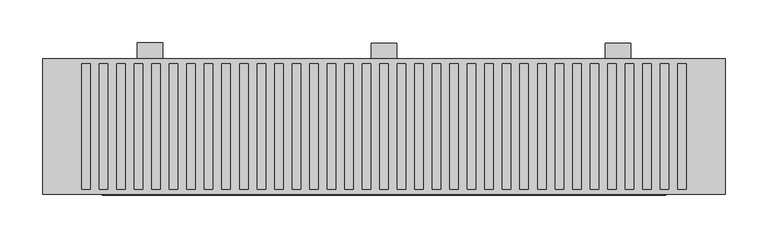
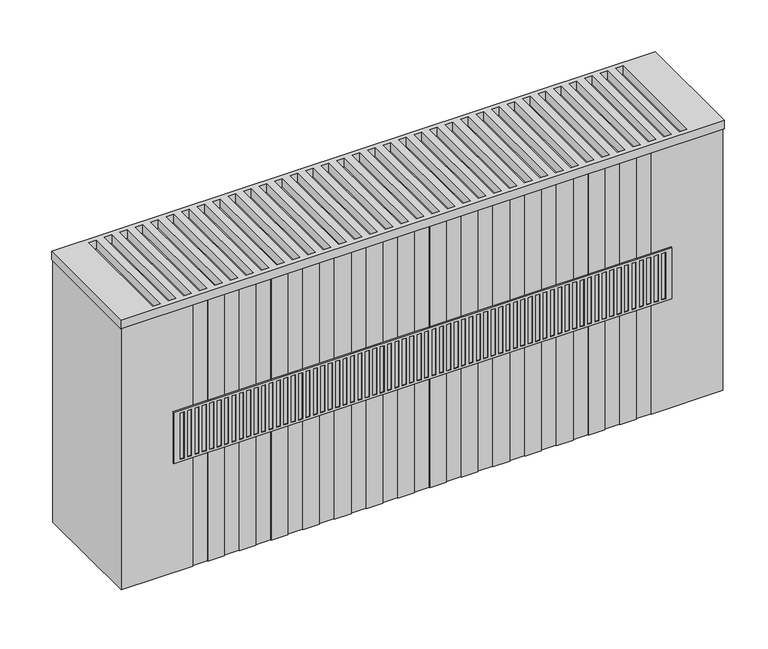
"""IFC4 building model written with IfcOpenShell, lengths in millimetres: proxy geometry."""

from ifc_helpers import new_model, si_unit, point, frame, frame_2d, origin, place, context, project, spatial, polyline, circle_curve, trimmed, segment, composite_curve, outline, extrude, faceted_brep, source, transform, mapped, element, save


def mechanical_equipment_2432de1e(model_context):
    return source(origin(), model_context, "Body", "SolidModel", [
        extrude(outline(polyline([(0.5, 380.0), (0.5, 100.0), (0.5, 80.0), (-50.5, 80.0), (-65.5, 100.0), (-19.5, 100.0), (-19.5, 380.0), (0.5, 380.0)])), frame((-15.0, 0.0, 0.0), z_axis=(1.0, 0.0, 0.0), x_axis=(0.0, 1.0, 0.0)), (0.0, 0.0, 1.0), 30.0),
        extrude(outline(polyline([(0.0, 380.0), (0.0, 100.0), (0.0, 80.0), (-51.0, 80.0), (-66.0, 100.0), (-20.0, 100.0), (-20.0, 380.0), (0.0, 380.0)])), frame((260.0, 0.0, 0.0), z_axis=(1.0, 0.0, 0.0), x_axis=(0.0, 1.0, 0.0)), (0.0, 0.0, 1.0), 30.0),
        extrude(outline(polyline([(1.0, 380.0), (1.0, 100.0), (1.0, 80.0), (-50.0, 80.0), (-65.0, 100.0), (-19.0, 100.0), (-19.0, 380.0), (1.0, 380.0)])), frame((-290.0, 0.0, 0.0), z_axis=(1.0, 0.0, 0.0), x_axis=(0.0, 1.0, 0.0)), (0.0, 0.0, 1.0), 30.0),
        faceted_brep([(331.0, -178.0, 326.0), (331.0, -178.0, 254.0), (331.0, -176.0, 254.0), (331.0, -176.0, 326.0), (-331.0, -178.0, 254.0), (-331.0, -178.0, 326.0), (-331.0, -176.0, 326.0), (-331.0, -176.0, 254.0), (322.5, -178.0, 257.5), (317.5, -178.0, 257.5), (317.5, -178.0, 322.5), (322.5, -178.0, 322.5), (-307.6538462, -178.0, 257.5), (-312.6538462, -178.0, 257.5), (-312.6538462, -178.0, 322.5), (-307.6538462, -178.0, 322.5), (-297.8076923, -178.0, 257.5), (-302.8076923, -178.0, 257.5), (-302.8076923, -178.0, 322.5), (-297.8076923, -178.0, 322.5), (-287.9615385, -178.0, 257.5), (-292.9615385, -178.0, 257.5), (-292.9615385, -178.0, 322.5), (-287.9615385, -178.0, 322.5), (-278.1153846, -178.0, 257.5), (-283.1153846, -178.0, 257.5), (-283.1153846, -178.0, 322.5), (-278.1153846, -178.0, 322.5), (-268.2692308, -178.0, 257.5), (-273.2692308, -178.0, 257.5), (-273.2692308, -178.0, 322.5), (-268.2692308, -178.0, 322.5), (-258.4230769, -178.0, 257.5), (-263.4230769, -178.0, 257.5), (-263.4230769, -178.0, 322.5), (-258.4230769, -178.0, 322.5), (-248.5769231, -178.0, 257.5), (-253.5769231, -178.0, 257.5), (-253.5769231, -178.0, 322.5), (-248.5769231, -178.0, 322.5), (-238.7307692, -178.0, 257.5), (-243.7307692, -178.0, 257.5), (-243.7307692, -178.0, 322.5), (-238.7307692, -178.0, 322.5), (-228.8846154, -178.0, 257.5), (-233.8846154, -178.0, 257.5), (-233.8846154, -178.0, 322.5), (-228.8846154, -178.0, 322.5), (-219.0384615, -178.0, 257.5), (-224.0384615, -178.0, 257.5), (-224.0384615, -178.0, 322.5), (-219.0384615, -178.0, 322.5), (-209.1923077, -178.0, 257.5), (-214.1923077, -178.0, 257.5), (-214.1923077, -178.0, 322.5), (-209.1923077, -178.0, 322.5), (-199.3461538, -178.0, 257.5), (-204.3461538, -178.0, 257.5), (-204.3461538, -178.0, 322.5), (-199.3461538, -178.0, 322.5), (-189.5, -178.0, 257.5), (-194.5, -178.0, 257.5), (-194.5, -178.0, 322.5), (-189.5, -178.0, 322.5), (-179.6538462, -178.0, 257.5), (-184.6538462, -178.0, 257.5), (-184.6538462, -178.0, 322.5), (-179.6538462, -178.0, 322.5), (-169.8076923, -178.0, 257.5), (-174.8076923, -178.0, 257.5), (-174.8076923, -178.0, 322.5), (-169.8076923, -178.0, 322.5), (-159.9615385, -178.0, 257.5), (-164.9615385, -178.0, 257.5), (-164.9615385, -178.0, 322.5), (-159.9615385, -178.0, 322.5), (-150.1153846, -178.0, 257.5), (-155.1153846, -178.0, 257.5), (-155.1153846, -178.0, 322.5), (-150.1153846, -178.0, 322.5), (-140.2692308, -178.0, 257.5), (-145.2692308, -178.0, 257.5), (-145.2692308, -178.0, 322.5), (-140.2692308, -178.0, 322.5), (-130.4230769, -178.0, 257.5), (-135.4230769, -178.0, 257.5), (-135.4230769, -178.0, 322.5), (-130.4230769, -178.0, 322.5), (-120.5769231, -178.0, 257.5), (-125.5769231, -178.0, 257.5), (-125.5769231, -178.0, 322.5), (-120.5769231, -178.0, 322.5), (-110.7307692, -178.0, 257.5), (-115.7307692, -178.0, 257.5), (-115.7307692, -178.0, 322.5), (-110.7307692, -178.0, 322.5), (-100.8846154, -178.0, 257.5), (-105.8846154, -178.0, 257.5), (-105.8846154, -178.0, 322.5), (-100.8846154, -178.0, 322.5), (-91.0384615, -178.0, 257.5), (-96.0384615, -178.0, 257.5), (-96.0384615, -178.0, 322.5), (-91.0384615, -178.0, 322.5), (-81.1923077, -178.0, 257.5), (-86.1923077, -178.0, 257.5), (-86.1923077, -178.0, 322.5), (-81.1923077, -178.0, 322.5), (-71.3461538, -178.0, 257.5), (-76.3461538, -178.0, 257.5), (-76.3461538, -178.0, 322.5), (-71.3461538, -178.0, 322.5), (-61.5, -178.0, 257.5), (-66.5, -178.0, 257.5), (-66.5, -178.0, 322.5), (-61.5, -178.0, 322.5), (-51.6538462, -178.0, 257.5), (-56.6538462, -178.0, 257.5), (-56.6538462, -178.0, 322.5), (-51.6538462, -178.0, 322.5), (-41.8076923, -178.0, 257.5), (-46.8076923, -178.0, 257.5), (-46.8076923, -178.0, 322.5), (-41.8076923, -178.0, 322.5), (-31.9615385, -178.0, 257.5), (-36.9615385, -178.0, 257.5), (-36.9615385, -178.0, 322.5), (-31.9615385, -178.0, 322.5), (-22.1153846, -178.0, 257.5), (-27.1153846, -178.0, 257.5), (-27.1153846, -178.0, 322.5), (-22.1153846, -178.0, 322.5), (-12.2692308, -178.0, 257.5), (-17.2692308, -178.0, 257.5), (-17.2692308, -178.0, 322.5), (-12.2692308, -178.0, 322.5), (-2.4230769, -178.0, 257.5), (-7.4230769, -178.0, 257.5), (-7.4230769, -178.0, 322.5), (-2.4230769, -178.0, 322.5), (7.4230769, -178.0, 257.5), (2.4230769, -178.0, 257.5), (2.4230769, -178.0, 322.5), (7.4230769, -178.0, 322.5), (17.2692308, -178.0, 257.5), (12.2692308, -178.0, 257.5), (12.2692308, -178.0, 322.5), (17.2692308, -178.0, 322.5), (27.1153846, -178.0, 257.5), (22.1153846, -178.0, 257.5), (22.1153846, -178.0, 322.5), (27.1153846, -178.0, 322.5), (36.9615385, -178.0, 257.5), (31.9615385, -178.0, 257.5), (31.9615385, -178.0, 322.5), (36.9615385, -178.0, 322.5), (46.8076923, -178.0, 257.5), (41.8076923, -178.0, 257.5), (41.8076923, -178.0, 322.5), (46.8076923, -178.0, 322.5), (56.6538462, -178.0, 257.5), (51.6538462, -178.0, 257.5), (51.6538462, -178.0, 322.5), (56.6538462, -178.0, 322.5), (66.5, -178.0, 257.5), (61.5, -178.0, 257.5), (61.5, -178.0, 322.5), (66.5, -178.0, 322.5), (76.3461538, -178.0, 257.5), (71.3461538, -178.0, 257.5), (71.3461538, -178.0, 322.5), (76.3461538, -178.0, 322.5), (86.1923077, -178.0, 257.5), (81.1923077, -178.0, 257.5), (81.1923077, -178.0, 322.5), (86.1923077, -178.0, 322.5), (96.0384615, -178.0, 257.5), (91.0384615, -178.0, 257.5), (91.0384615, -178.0, 322.5), (96.0384615, -178.0, 322.5), (105.8846154, -178.0, 257.5), (100.8846154, -178.0, 257.5), (100.8846154, -178.0, 322.5), (105.8846154, -178.0, 322.5), (115.7307692, -178.0, 257.5), (110.7307692, -178.0, 257.5), (110.7307692, -178.0, 322.5), (115.7307692, -178.0, 322.5), (125.5769231, -178.0, 257.5), (120.5769231, -178.0, 257.5), (120.5769231, -178.0, 322.5), (125.5769231, -178.0, 322.5), (135.4230769, -178.0, 257.5), (130.4230769, -178.0, 257.5), (130.4230769, -178.0, 322.5), (135.4230769, -178.0, 322.5), (145.2692308, -178.0, 257.5), (140.2692308, -178.0, 257.5), (140.2692308, -178.0, 322.5), (145.2692308, -178.0, 322.5), (155.1153846, -178.0, 257.5), (150.1153846, -178.0, 257.5), (150.1153846, -178.0, 322.5), (155.1153846, -178.0, 322.5), (164.9615385, -178.0, 257.5), (159.9615385, -178.0, 257.5), (159.9615385, -178.0, 322.5), (164.9615385, -178.0, 322.5), (174.8076923, -178.0, 257.5), (169.8076923, -178.0, 257.5), (169.8076923, -178.0, 322.5), (174.8076923, -178.0, 322.5), (184.6538462, -178.0, 257.5), (179.6538462, -178.0, 257.5), (179.6538462, -178.0, 322.5), (184.6538462, -178.0, 322.5), (194.5, -178.0, 257.5), (189.5, -178.0, 257.5), (189.5, -178.0, 322.5), (194.5, -178.0, 322.5), (204.3461538, -178.0, 257.5), (199.3461538, -178.0, 257.5), (199.3461538, -178.0, 322.5), (204.3461538, -178.0, 322.5), (214.1923077, -178.0, 257.5), (209.1923077, -178.0, 257.5), (209.1923077, -178.0, 322.5), (214.1923077, -178.0, 322.5), (224.0384615, -178.0, 257.5), (219.0384615, -178.0, 257.5), (219.0384615, -178.0, 322.5), (224.0384615, -178.0, 322.5), (233.8846154, -178.0, 257.5), (228.8846154, -178.0, 257.5), (228.8846154, -178.0, 322.5), (233.8846154, -178.0, 322.5), (243.7307692, -178.0, 257.5), (238.7307692, -178.0, 257.5), (238.7307692, -178.0, 322.5), (243.7307692, -178.0, 322.5), (253.5769231, -178.0, 257.5), (248.5769231, -178.0, 257.5), (248.5769231, -178.0, 322.5), (253.5769231, -178.0, 322.5), (263.4230769, -178.0, 257.5), (258.4230769, -178.0, 257.5), (258.4230769, -178.0, 322.5), (263.4230769, -178.0, 322.5), (273.2692308, -178.0, 257.5), (268.2692308, -178.0, 257.5), (268.2692308, -178.0, 322.5), (273.2692308, -178.0, 322.5), (283.1153846, -178.0, 257.5), (278.1153846, -178.0, 257.5), (278.1153846, -178.0, 322.5), (283.1153846, -178.0, 322.5), (292.9615385, -178.0, 257.5), (287.9615385, -178.0, 257.5), (287.9615385, -178.0, 322.5), (292.9615385, -178.0, 322.5), (302.8076923, -178.0, 257.5), (297.8076923, -178.0, 257.5), (297.8076923, -178.0, 322.5), (302.8076923, -178.0, 322.5), (312.6538462, -178.0, 257.5), (307.6538462, -178.0, 257.5), (307.6538462, -178.0, 322.5), (312.6538462, -178.0, 322.5), (-317.5, -178.0, 257.5), (-322.5, -178.0, 257.5), (-322.5, -178.0, 322.5), (-317.5, -178.0, 322.5), (317.5, -177.0, 257.5), (322.5, -177.0, 257.5), (322.5, -177.0, 322.5), (317.5, -177.0, 322.5), (-312.6538462, -177.0, 257.5), (-307.6538462, -177.0, 257.5), (-307.6538462, -177.0, 322.5), (-312.6538462, -177.0, 322.5), (-302.8076923, -177.0, 257.5), (-297.8076923, -177.0, 257.5), (-297.8076923, -177.0, 322.5), (-302.8076923, -177.0, 322.5), (-292.9615385, -177.0, 257.5), (-287.9615385, -177.0, 257.5), (-287.9615385, -177.0, 322.5), (-292.9615385, -177.0, 322.5), (-283.1153846, -177.0, 257.5), (-278.1153846, -177.0, 257.5), (-278.1153846, -177.0, 322.5), (-283.1153846, -177.0, 322.5), (-273.2692308, -177.0, 257.5), (-268.2692308, -177.0, 257.5), (-268.2692308, -177.0, 322.5), (-273.2692308, -177.0, 322.5), (-263.4230769, -177.0, 257.5), (-258.4230769, -177.0, 257.5), (-258.4230769, -177.0, 322.5), (-263.4230769, -177.0, 322.5), (-253.5769231, -177.0, 257.5), (-248.5769231, -177.0, 257.5), (-248.5769231, -177.0, 322.5), (-253.5769231, -177.0, 322.5), (-243.7307692, -177.0, 257.5), (-238.7307692, -177.0, 257.5), (-238.7307692, -177.0, 322.5), (-243.7307692, -177.0, 322.5), (-233.8846154, -177.0, 257.5), (-228.8846154, -177.0, 257.5), (-228.8846154, -177.0, 322.5), (-233.8846154, -177.0, 322.5), (-224.0384615, -177.0, 257.5), (-219.0384615, -177.0, 257.5), (-219.0384615, -177.0, 322.5), (-224.0384615, -177.0, 322.5), (-214.1923077, -177.0, 257.5), (-209.1923077, -177.0, 257.5), (-209.1923077, -177.0, 322.5), (-214.1923077, -177.0, 322.5), (-204.3461538, -177.0, 257.5), (-199.3461538, -177.0, 257.5), (-199.3461538, -177.0, 322.5), (-204.3461538, -177.0, 322.5), (-194.5, -177.0, 257.5), (-189.5, -177.0, 257.5), (-189.5, -177.0, 322.5), (-194.5, -177.0, 322.5), (-184.6538462, -177.0, 257.5), (-179.6538462, -177.0, 257.5), (-179.6538462, -177.0, 322.5), (-184.6538462, -177.0, 322.5), (-174.8076923, -177.0, 257.5), (-169.8076923, -177.0, 257.5), (-169.8076923, -177.0, 322.5), (-174.8076923, -177.0, 322.5), (-164.9615385, -177.0, 257.5), (-159.9615385, -177.0, 257.5), (-159.9615385, -177.0, 322.5), (-164.9615385, -177.0, 322.5), (-155.1153846, -177.0, 257.5), (-150.1153846, -177.0, 257.5), (-150.1153846, -177.0, 322.5), (-155.1153846, -177.0, 322.5), (-145.2692308, -177.0, 257.5), (-140.2692308, -177.0, 257.5), (-140.2692308, -177.0, 322.5), (-145.2692308, -177.0, 322.5), (-135.4230769, -177.0, 257.5), (-130.4230769, -177.0, 257.5), (-130.4230769, -177.0, 322.5), (-135.4230769, -177.0, 322.5), (-125.5769231, -177.0, 257.5), (-120.5769231, -177.0, 257.5), (-120.5769231, -177.0, 322.5), (-125.5769231, -177.0, 322.5), (-115.7307692, -177.0, 257.5), (-110.7307692, -177.0, 257.5), (-110.7307692, -177.0, 322.5), (-115.7307692, -177.0, 322.5), (-105.8846154, -177.0, 257.5), (-100.8846154, -177.0, 257.5), (-100.8846154, -177.0, 322.5), (-105.8846154, -177.0, 322.5), (-96.0384615, -177.0, 257.5), (-91.0384615, -177.0, 257.5), (-91.0384615, -177.0, 322.5), (-96.0384615, -177.0, 322.5), (-86.1923077, -177.0, 257.5), (-81.1923077, -177.0, 257.5), (-81.1923077, -177.0, 322.5), (-86.1923077, -177.0, 322.5), (-76.3461538, -177.0, 257.5), (-71.3461538, -177.0, 257.5), (-71.3461538, -177.0, 322.5), (-76.3461538, -177.0, 322.5), (-66.5, -177.0, 257.5), (-61.5, -177.0, 257.5), (-61.5, -177.0, 322.5), (-66.5, -177.0, 322.5), (-56.6538462, -177.0, 257.5), (-51.6538462, -177.0, 257.5), (-51.6538462, -177.0, 322.5), (-56.6538462, -177.0, 322.5), (-46.8076923, -177.0, 257.5), (-41.8076923, -177.0, 257.5), (-41.8076923, -177.0, 322.5), (-46.8076923, -177.0, 322.5), (-36.9615385, -177.0, 257.5), (-31.9615385, -177.0, 257.5), (-31.9615385, -177.0, 322.5), (-36.9615385, -177.0, 322.5), (-27.1153846, -177.0, 257.5), (-22.1153846, -177.0, 257.5), (-22.1153846, -177.0, 322.5), (-27.1153846, -177.0, 322.5), (-17.2692308, -177.0, 257.5), (-12.2692308, -177.0, 257.5), (-12.2692308, -177.0, 322.5), (-17.2692308, -177.0, 322.5), (-7.4230769, -177.0, 257.5), (-2.4230769, -177.0, 257.5), (-2.4230769, -177.0, 322.5), (-7.4230769, -177.0, 322.5), (2.4230769, -177.0, 257.5), (7.4230769, -177.0, 257.5), (7.4230769, -177.0, 322.5), (2.4230769, -177.0, 322.5), (12.2692308, -177.0, 257.5), (17.2692308, -177.0, 257.5), (17.2692308, -177.0, 322.5), (12.2692308, -177.0, 322.5), (22.1153846, -177.0, 257.5), (27.1153846, -177.0, 257.5), (27.1153846, -177.0, 322.5), (22.1153846, -177.0, 322.5), (31.9615385, -177.0, 257.5), (36.9615385, -177.0, 257.5), (36.9615385, -177.0, 322.5), (31.9615385, -177.0, 322.5), (41.8076923, -177.0, 257.5), (46.8076923, -177.0, 257.5), (46.8076923, -177.0, 322.5), (41.8076923, -177.0, 322.5), (51.6538462, -177.0, 257.5), (56.6538462, -177.0, 257.5), (56.6538462, -177.0, 322.5), (51.6538462, -177.0, 322.5), (61.5, -177.0, 257.5), (66.5, -177.0, 257.5), (66.5, -177.0, 322.5), (61.5, -177.0, 322.5), (71.3461538, -177.0, 257.5), (76.3461538, -177.0, 257.5), (76.3461538, -177.0, 322.5), (71.3461538, -177.0, 322.5), (81.1923077, -177.0, 257.5), (86.1923077, -177.0, 257.5), (86.1923077, -177.0, 322.5), (81.1923077, -177.0, 322.5), (91.0384615, -177.0, 257.5), (96.0384615, -177.0, 257.5), (96.0384615, -177.0, 322.5), (91.0384615, -177.0, 322.5), (100.8846154, -177.0, 257.5), (105.8846154, -177.0, 257.5), (105.8846154, -177.0, 322.5), (100.8846154, -177.0, 322.5), (110.7307692, -177.0, 257.5), (115.7307692, -177.0, 257.5), (115.7307692, -177.0, 322.5), (110.7307692, -177.0, 322.5), (120.5769231, -177.0, 257.5), (125.5769231, -177.0, 257.5), (125.5769231, -177.0, 322.5), (120.5769231, -177.0, 322.5), (130.4230769, -177.0, 257.5), (135.4230769, -177.0, 257.5), (135.4230769, -177.0, 322.5), (130.4230769, -177.0, 322.5), (140.2692308, -177.0, 257.5), (145.2692308, -177.0, 257.5), (145.2692308, -177.0, 322.5), (140.2692308, -177.0, 322.5), (150.1153846, -177.0, 257.5), (155.1153846, -177.0, 257.5), (155.1153846, -177.0, 322.5), (150.1153846, -177.0, 322.5), (159.9615385, -177.0, 257.5), (164.9615385, -177.0, 257.5), (164.9615385, -177.0, 322.5), (159.9615385, -177.0, 322.5), (169.8076923, -177.0, 257.5), (174.8076923, -177.0, 257.5), (174.8076923, -177.0, 322.5), (169.8076923, -177.0, 322.5), (179.6538462, -177.0, 257.5), (184.6538462, -177.0, 257.5), (184.6538462, -177.0, 322.5), (179.6538462, -177.0, 322.5), (189.5, -177.0, 257.5), (194.5, -177.0, 257.5), (194.5, -177.0, 322.5), (189.5, -177.0, 322.5), (199.3461538, -177.0, 257.5), (204.3461538, -177.0, 257.5), (204.3461538, -177.0, 322.5), (199.3461538, -177.0, 322.5), (209.1923077, -177.0, 257.5), (214.1923077, -177.0, 257.5), (214.1923077, -177.0, 322.5), (209.1923077, -177.0, 322.5), (219.0384615, -177.0, 257.5), (224.0384615, -177.0, 257.5), (224.0384615, -177.0, 322.5), (219.0384615, -177.0, 322.5), (228.8846154, -177.0, 257.5), (233.8846154, -177.0, 257.5), (233.8846154, -177.0, 322.5), (228.8846154, -177.0, 322.5), (238.7307692, -177.0, 257.5), (243.7307692, -177.0, 257.5), (243.7307692, -177.0, 322.5), (238.7307692, -177.0, 322.5), (248.5769231, -177.0, 257.5), (253.5769231, -177.0, 257.5), (253.5769231, -177.0, 322.5), (248.5769231, -177.0, 322.5), (258.4230769, -177.0, 257.5), (263.4230769, -177.0, 257.5), (263.4230769, -177.0, 322.5), (258.4230769, -177.0, 322.5), (268.2692308, -177.0, 257.5), (273.2692308, -177.0, 257.5), (273.2692308, -177.0, 322.5), (268.2692308, -177.0, 322.5), (278.1153846, -177.0, 257.5), (283.1153846, -177.0, 257.5), (283.1153846, -177.0, 322.5), (278.1153846, -177.0, 322.5), (287.9615385, -177.0, 257.5), (292.9615385, -177.0, 257.5), (292.9615385, -177.0, 322.5), (287.9615385, -177.0, 322.5), (297.8076923, -177.0, 257.5), (302.8076923, -177.0, 257.5), (302.8076923, -177.0, 322.5), (297.8076923, -177.0, 322.5), (307.6538462, -177.0, 257.5), (312.6538462, -177.0, 257.5), (312.6538462, -177.0, 322.5), (307.6538462, -177.0, 322.5), (-322.5, -177.0, 257.5), (-317.5, -177.0, 257.5), (-317.5, -177.0, 322.5), (-322.5, -177.0, 322.5)], [[[0, 1, 2, 3]], [[4, 5, 6, 7]], [[1, 0, 5, 4], [8, 9, 10, 11], [12, 13, 14, 15], [16, 17, 18, 19], [20, 21, 22, 23], [24, 25, 26, 27], [28, 29, 30, 31], [32, 33, 34, 35], [36, 37, 38, 39], [40, 41, 42, 43], [44, 45, 46, 47], [48, 49, 50, 51], [52, 53, 54, 55], [56, 57, 58, 59], [60, 61, 62, 63], [64, 65, 66, 67], [68, 69, 70, 71], [72, 73, 74, 75], [76, 77, 78, 79], [80, 81, 82, 83], [84, 85, 86, 87], [88, 89, 90, 91], [92, 93, 94, 95], [96, 97, 98, 99], [100, 101, 102, 103], [104, 105, 106, 107], [108, 109, 110, 111], [112, 113, 114, 115], [116, 117, 118, 119], [120, 121, 122, 123], [124, 125, 126, 127], [128, 129, 130, 131], [132, 133, 134, 135], [136, 137, 138, 139], [140, 141, 142, 143], [144, 145, 146, 147], [148, 149, 150, 151], [152, 153, 154, 155], [156, 157, 158, 159], [160, 161, 162, 163], [164, 165, 166, 167], [168, 169, 170, 171], [172, 173, 174, 175], [176, 177, 178, 179], [180, 181, 182, 183], [184, 185, 186, 187], [188, 189, 190, 191], [192, 193, 194, 195], [196, 197, 198, 199], [200, 201, 202, 203], [204, 205, 206, 207], [208, 209, 210, 211], [212, 213, 214, 215], [216, 217, 218, 219], [220, 221, 222, 223], [224, 225, 226, 227], [228, 229, 230, 231], [232, 233, 234, 235], [236, 237, 238, 239], [240, 241, 242, 243], [244, 245, 246, 247], [248, 249, 250, 251], [252, 253, 254, 255], [256, 257, 258, 259], [260, 261, 262, 263], [264, 265, 266, 267], [268, 269, 270, 271]], [[3, 2, 7, 6]], [[2, 1, 4, 7]], [[0, 3, 6, 5]], [[272, 273, 274, 275]], [[273, 272, 9, 8]], [[274, 273, 8, 11]], [[275, 274, 11, 10]], [[272, 275, 10, 9]], [[276, 277, 278, 279]], [[277, 276, 13, 12]], [[278, 277, 12, 15]], [[279, 278, 15, 14]], [[276, 279, 14, 13]], [[280, 281, 282, 283]], [[281, 280, 17, 16]], [[282, 281, 16, 19]], [[283, 282, 19, 18]], [[280, 283, 18, 17]], [[284, 285, 286, 287]], [[285, 284, 21, 20]], [[286, 285, 20, 23]], [[287, 286, 23, 22]], [[284, 287, 22, 21]], [[288, 289, 290, 291]], [[289, 288, 25, 24]], [[290, 289, 24, 27]], [[291, 290, 27, 26]], [[288, 291, 26, 25]], [[292, 293, 294, 295]], [[293, 292, 29, 28]], [[294, 293, 28, 31]], [[295, 294, 31, 30]], [[292, 295, 30, 29]], [[296, 297, 298, 299]], [[297, 296, 33, 32]], [[298, 297, 32, 35]], [[299, 298, 35, 34]], [[296, 299, 34, 33]], [[300, 301, 302, 303]], [[301, 300, 37, 36]], [[302, 301, 36, 39]], [[303, 302, 39, 38]], [[300, 303, 38, 37]], [[304, 305, 306, 307]], [[305, 304, 41, 40]], [[306, 305, 40, 43]], [[307, 306, 43, 42]], [[304, 307, 42, 41]], [[308, 309, 310, 311]], [[309, 308, 45, 44]], [[310, 309, 44, 47]], [[311, 310, 47, 46]], [[308, 311, 46, 45]], [[312, 313, 314, 315]], [[313, 312, 49, 48]], [[314, 313, 48, 51]], [[315, 314, 51, 50]], [[312, 315, 50, 49]], [[316, 317, 318, 319]], [[317, 316, 53, 52]], [[318, 317, 52, 55]], [[319, 318, 55, 54]], [[316, 319, 54, 53]], [[320, 321, 322, 323]], [[321, 320, 57, 56]], [[322, 321, 56, 59]], [[323, 322, 59, 58]], [[320, 323, 58, 57]], [[324, 325, 326, 327]], [[325, 324, 61, 60]], [[326, 325, 60, 63]], [[327, 326, 63, 62]], [[324, 327, 62, 61]], [[328, 329, 330, 331]], [[329, 328, 65, 64]], [[330, 329, 64, 67]], [[331, 330, 67, 66]], [[328, 331, 66, 65]], [[332, 333, 334, 335]], [[333, 332, 69, 68]], [[334, 333, 68, 71]], [[335, 334, 71, 70]], [[332, 335, 70, 69]], [[336, 337, 338, 339]], [[337, 336, 73, 72]], [[338, 337, 72, 75]], [[339, 338, 75, 74]], [[336, 339, 74, 73]], [[340, 341, 342, 343]], [[341, 340, 77, 76]], [[342, 341, 76, 79]], [[343, 342, 79, 78]], [[340, 343, 78, 77]], [[344, 345, 346, 347]], [[345, 344, 81, 80]], [[346, 345, 80, 83]], [[347, 346, 83, 82]], [[344, 347, 82, 81]], [[348, 349, 350, 351]], [[349, 348, 85, 84]], [[350, 349, 84, 87]], [[351, 350, 87, 86]], [[348, 351, 86, 85]], [[352, 353, 354, 355]], [[353, 352, 89, 88]], [[354, 353, 88, 91]], [[355, 354, 91, 90]], [[352, 355, 90, 89]], [[356, 357, 358, 359]], [[357, 356, 93, 92]], [[358, 357, 92, 95]], [[359, 358, 95, 94]], [[356, 359, 94, 93]], [[360, 361, 362, 363]], [[361, 360, 97, 96]], [[362, 361, 96, 99]], [[363, 362, 99, 98]], [[360, 363, 98, 97]], [[364, 365, 366, 367]], [[365, 364, 101, 100]], [[366, 365, 100, 103]], [[367, 366, 103, 102]], [[364, 367, 102, 101]], [[368, 369, 370, 371]], [[369, 368, 105, 104]], [[370, 369, 104, 107]], [[371, 370, 107, 106]], [[368, 371, 106, 105]], [[372, 373, 374, 375]], [[373, 372, 109, 108]], [[374, 373, 108, 111]], [[375, 374, 111, 110]], [[372, 375, 110, 109]], [[376, 377, 378, 379]], [[377, 376, 113, 112]], [[378, 377, 112, 115]], [[379, 378, 115, 114]], [[376, 379, 114, 113]], [[380, 381, 382, 383]], [[381, 380, 117, 116]], [[382, 381, 116, 119]], [[383, 382, 119, 118]], [[380, 383, 118, 117]], [[384, 385, 386, 387]], [[385, 384, 121, 120]], [[386, 385, 120, 123]], [[387, 386, 123, 122]], [[384, 387, 122, 121]], [[388, 389, 390, 391]], [[389, 388, 125, 124]], [[390, 389, 124, 127]], [[391, 390, 127, 126]], [[388, 391, 126, 125]], [[392, 393, 394, 395]], [[393, 392, 129, 128]], [[394, 393, 128, 131]], [[395, 394, 131, 130]], [[392, 395, 130, 129]], [[396, 397, 398, 399]], [[397, 396, 133, 132]], [[398, 397, 132, 135]], [[399, 398, 135, 134]], [[396, 399, 134, 133]], [[400, 401, 402, 403]], [[401, 400, 137, 136]], [[402, 401, 136, 139]], [[403, 402, 139, 138]], [[400, 403, 138, 137]], [[404, 405, 406, 407]], [[405, 404, 141, 140]], [[406, 405, 140, 143]], [[407, 406, 143, 142]], [[404, 407, 142, 141]], [[408, 409, 410, 411]], [[409, 408, 145, 144]], [[410, 409, 144, 147]], [[411, 410, 147, 146]], [[408, 411, 146, 145]], [[412, 413, 414, 415]], [[413, 412, 149, 148]], [[414, 413, 148, 151]], [[415, 414, 151, 150]], [[412, 415, 150, 149]], [[416, 417, 418, 419]], [[417, 416, 153, 152]], [[418, 417, 152, 155]], [[419, 418, 155, 154]], [[416, 419, 154, 153]], [[420, 421, 422, 423]], [[421, 420, 157, 156]], [[422, 421, 156, 159]], [[423, 422, 159, 158]], [[420, 423, 158, 157]], [[424, 425, 426, 427]], [[425, 424, 161, 160]], [[426, 425, 160, 163]], [[427, 426, 163, 162]], [[424, 427, 162, 161]], [[428, 429, 430, 431]], [[429, 428, 165, 164]], [[430, 429, 164, 167]], [[431, 430, 167, 166]], [[428, 431, 166, 165]], [[432, 433, 434, 435]], [[433, 432, 169, 168]], [[434, 433, 168, 171]], [[435, 434, 171, 170]], [[432, 435, 170, 169]], [[436, 437, 438, 439]], [[437, 436, 173, 172]], [[438, 437, 172, 175]], [[439, 438, 175, 174]], [[436, 439, 174, 173]], [[440, 441, 442, 443]], [[441, 440, 177, 176]], [[442, 441, 176, 179]], [[443, 442, 179, 178]], [[440, 443, 178, 177]], [[444, 445, 446, 447]], [[445, 444, 181, 180]], [[446, 445, 180, 183]], [[447, 446, 183, 182]], [[444, 447, 182, 181]], [[448, 449, 450, 451]], [[449, 448, 185, 184]], [[450, 449, 184, 187]], [[451, 450, 187, 186]], [[448, 451, 186, 185]], [[452, 453, 454, 455]], [[453, 452, 189, 188]], [[454, 453, 188, 191]], [[455, 454, 191, 190]], [[452, 455, 190, 189]], [[456, 457, 458, 459]], [[457, 456, 193, 192]], [[458, 457, 192, 195]], [[459, 458, 195, 194]], [[456, 459, 194, 193]], [[460, 461, 462, 463]], [[461, 460, 197, 196]], [[462, 461, 196, 199]], [[463, 462, 199, 198]], [[460, 463, 198, 197]], [[464, 465, 466, 467]], [[465, 464, 201, 200]], [[466, 465, 200, 203]], [[467, 466, 203, 202]], [[464, 467, 202, 201]], [[468, 469, 470, 471]], [[469, 468, 205, 204]], [[470, 469, 204, 207]], [[471, 470, 207, 206]], [[468, 471, 206, 205]], [[472, 473, 474, 475]], [[473, 472, 209, 208]], [[474, 473, 208, 211]], [[475, 474, 211, 210]], [[472, 475, 210, 209]], [[476, 477, 478, 479]], [[477, 476, 213, 212]], [[478, 477, 212, 215]], [[479, 478, 215, 214]], [[476, 479, 214, 213]], [[480, 481, 482, 483]], [[481, 480, 217, 216]], [[482, 481, 216, 219]], [[483, 482, 219, 218]], [[480, 483, 218, 217]], [[484, 485, 486, 487]], [[485, 484, 221, 220]], [[486, 485, 220, 223]], [[487, 486, 223, 222]], [[484, 487, 222, 221]], [[488, 489, 490, 491]], [[489, 488, 225, 224]], [[490, 489, 224, 227]], [[491, 490, 227, 226]], [[488, 491, 226, 225]], [[492, 493, 494, 495]], [[493, 492, 229, 228]], [[494, 493, 228, 231]], [[495, 494, 231, 230]], [[492, 495, 230, 229]], [[496, 497, 498, 499]], [[497, 496, 233, 232]], [[498, 497, 232, 235]], [[499, 498, 235, 234]], [[496, 499, 234, 233]], [[500, 501, 502, 503]], [[501, 500, 237, 236]], [[502, 501, 236, 239]], [[503, 502, 239, 238]], [[500, 503, 238, 237]], [[504, 505, 506, 507]], [[505, 504, 241, 240]], [[506, 505, 240, 243]], [[507, 506, 243, 242]], [[504, 507, 242, 241]], [[508, 509, 510, 511]], [[509, 508, 245, 244]], [[510, 509, 244, 247]], [[511, 510, 247, 246]], [[508, 511, 246, 245]], [[512, 513, 514, 515]], [[513, 512, 249, 248]], [[514, 513, 248, 251]], [[515, 514, 251, 250]], [[512, 515, 250, 249]], [[516, 517, 518, 519]], [[517, 516, 253, 252]], [[518, 517, 252, 255]], [[519, 518, 255, 254]], [[516, 519, 254, 253]], [[520, 521, 522, 523]], [[521, 520, 257, 256]], [[522, 521, 256, 259]], [[523, 522, 259, 258]], [[520, 523, 258, 257]], [[524, 525, 526, 527]], [[525, 524, 261, 260]], [[526, 525, 260, 263]], [[527, 526, 263, 262]], [[524, 527, 262, 261]], [[528, 529, 530, 531]], [[529, 528, 265, 264]], [[530, 529, 264, 267]], [[531, 530, 267, 266]], [[528, 531, 266, 265]], [[532, 533, 534, 535]], [[533, 532, 269, 268]], [[534, 533, 268, 271]], [[535, 534, 271, 270]], [[532, 535, 270, 269]]]),
        extrude(outline(polyline([(401.0, -18.0), (401.0, -177.0), (-401.0, -177.0), (-401.0, -18.0), (401.0, -18.0)]), holes=[polyline([(345.0, -171.0), (355.0, -171.0), (355.0, -24.0), (345.0, -24.0), (345.0, -171.0)]), polyline([(-334.4117647, -171.0), (-324.4117647, -171.0), (-324.4117647, -24.0), (-334.4117647, -24.0), (-334.4117647, -171.0)]), polyline([(-313.8235294, -171.0), (-303.8235294, -171.0), (-303.8235294, -24.0), (-313.8235294, -24.0), (-313.8235294, -171.0)]), polyline([(-293.2352941, -171.0), (-283.2352941, -171.0), (-283.2352941, -24.0), (-293.2352941, -24.0), (-293.2352941, -171.0)]), polyline([(-272.6470588, -171.0), (-262.6470588, -171.0), (-262.6470588, -24.0), (-272.6470588, -24.0), (-272.6470588, -171.0)]), polyline([(-252.0588235, -171.0), (-242.0588235, -171.0), (-242.0588235, -24.0), (-252.0588235, -24.0), (-252.0588235, -171.0)]), polyline([(-231.4705882, -171.0), (-221.4705882, -171.0), (-221.4705882, -24.0), (-231.4705882, -24.0), (-231.4705882, -171.0)]), polyline([(-210.8823529, -171.0), (-200.8823529, -171.0), (-200.8823529, -24.0), (-210.8823529, -24.0), (-210.8823529, -171.0)]), polyline([(-190.2941176, -171.0), (-180.2941176, -171.0), (-180.2941176, -24.0), (-190.2941176, -24.0), (-190.2941176, -171.0)]), polyline([(-169.7058824, -171.0), (-159.7058824, -171.0), (-159.7058824, -24.0), (-169.7058824, -24.0), (-169.7058824, -171.0)]), polyline([(-149.1176471, -171.0), (-139.1176471, -171.0), (-139.1176471, -24.0), (-149.1176471, -24.0), (-149.1176471, -171.0)]), polyline([(-128.5294118, -171.0), (-118.5294118, -171.0), (-118.5294118, -24.0), (-128.5294118, -24.0), (-128.5294118, -171.0)]), polyline([(-107.9411765, -171.0), (-97.9411765, -171.0), (-97.9411765, -24.0), (-107.9411765, -24.0), (-107.9411765, -171.0)]), polyline([(-87.3529412, -171.0), (-77.3529412, -171.0), (-77.3529412, -24.0), (-87.3529412, -24.0), (-87.3529412, -171.0)]), polyline([(-66.7647059, -171.0), (-56.7647059, -171.0), (-56.7647059, -24.0), (-66.7647059, -24.0), (-66.7647059, -171.0)]), polyline([(-46.1764706, -171.0), (-36.1764706, -171.0), (-36.1764706, -24.0), (-46.1764706, -24.0), (-46.1764706, -171.0)]), polyline([(-25.5882353, -171.0), (-15.5882353, -171.0), (-15.5882353, -24.0), (-25.5882353, -24.0), (-25.5882353, -171.0)]), polyline([(-5.0, -171.0), (5.0, -171.0), (5.0, -24.0), (-5.0, -24.0), (-5.0, -171.0)]), polyline([(15.5882353, -171.0), (25.5882353, -171.0), (25.5882353, -24.0), (15.5882353, -24.0), (15.5882353, -171.0)]), polyline([(36.1764706, -171.0), (46.1764706, -171.0), (46.1764706, -24.0), (36.1764706, -24.0), (36.1764706, -171.0)]), polyline([(56.7647059, -171.0), (66.7647059, -171.0), (66.7647059, -24.0), (56.7647059, -24.0), (56.7647059, -171.0)]), polyline([(77.3529412, -171.0), (87.3529412, -171.0), (87.3529412, -24.0), (77.3529412, -24.0), (77.3529412, -171.0)]), polyline([(97.9411765, -171.0), (107.9411765, -171.0), (107.9411765, -24.0), (97.9411765, -24.0), (97.9411765, -171.0)]), polyline([(118.5294118, -171.0), (128.5294118, -171.0), (128.5294118, -24.0), (118.5294118, -24.0), (118.5294118, -171.0)]), polyline([(139.1176471, -171.0), (149.1176471, -171.0), (149.1176471, -24.0), (139.1176471, -24.0), (139.1176471, -171.0)]), polyline([(159.7058824, -171.0), (169.7058824, -171.0), (169.7058824, -24.0), (159.7058824, -24.0), (159.7058824, -171.0)]), polyline([(180.2941176, -171.0), (190.2941176, -171.0), (190.2941176, -24.0), (180.2941176, -24.0), (180.2941176, -171.0)]), polyline([(200.8823529, -171.0), (210.8823529, -171.0), (210.8823529, -24.0), (200.8823529, -24.0), (200.8823529, -171.0)]), polyline([(221.4705882, -171.0), (231.4705882, -171.0), (231.4705882, -24.0), (221.4705882, -24.0), (221.4705882, -171.0)]), polyline([(242.0588235, -171.0), (252.0588235, -171.0), (252.0588235, -24.0), (242.0588235, -24.0), (242.0588235, -171.0)]), polyline([(262.6470588, -171.0), (272.6470588, -171.0), (272.6470588, -24.0), (262.6470588, -24.0), (262.6470588, -171.0)]), polyline([(283.2352941, -171.0), (293.2352941, -171.0), (293.2352941, -24.0), (283.2352941, -24.0), (283.2352941, -171.0)]), polyline([(303.8235294, -171.0), (313.8235294, -171.0), (313.8235294, -24.0), (303.8235294, -24.0), (303.8235294, -171.0)]), polyline([(324.4117647, -171.0), (334.4117647, -171.0), (334.4117647, -24.0), (324.4117647, -24.0), (324.4117647, -171.0)]), polyline([(-355.0, -171.0), (-345.0, -171.0), (-345.0, -24.0), (-355.0, -24.0), (-355.0, -171.0)])]), frame((0.0, 0.0, 468.0), z_axis=(0.0, 0.0, 1.0), x_axis=(1.0, 0.0, 0.0)), (0.0, 0.0, 1.0), 12.0),
        extrude(outline(composite_curve([segment(trimmed(circle_curve(frame_2d((386.0, -57.0)), 7.5), [point((393.5, -57.0))], [point((378.5, -57.0))], False, "CARTESIAN"), True, "CONTINUOUS"), segment(trimmed(circle_curve(frame_2d((386.0, -57.0)), 7.5), [point((378.5, -57.0))], [point((393.5, -57.0))], False, "CARTESIAN"), True, "CONTINUOUS")], self_intersect=False)), frame((0.0, 0.0, 82.0), z_axis=(0.0, 0.0, 1.0), x_axis=(1.0, 0.0, 0.0)), (0.0, 0.0, 1.0), 20.0),
        extrude(outline(composite_curve([segment(trimmed(circle_curve(frame_2d((336.0, -57.0)), 7.5), [point((343.5, -57.0))], [point((328.5, -57.0))], False, "CARTESIAN"), True, "CONTINUOUS"), segment(trimmed(circle_curve(frame_2d((336.0, -57.0)), 7.5), [point((328.5, -57.0))], [point((343.5, -57.0))], False, "CARTESIAN"), True, "CONTINUOUS")], self_intersect=False)), frame((0.0, 0.0, 82.0), z_axis=(0.0, 0.0, 1.0), x_axis=(1.0, 0.0, 0.0)), (0.0, 0.0, 1.0), 20.0),
        extrude(outline(polyline([(400.0, -19.0), (400.0, -176.0), (305.0, -176.0), (305.0, -175.0), (285.0, -175.0), (285.0, -176.0), (262.8571429, -176.0), (262.8571429, -175.0), (242.8571429, -175.0), (242.8571429, -176.0), (220.7142857, -176.0), (220.7142857, -175.0), (200.7142857, -175.0), (200.7142857, -176.0), (178.5714286, -176.0), (178.5714286, -175.0), (158.5714286, -175.0), (158.5714286, -176.0), (136.4285714, -176.0), (136.4285714, -175.0), (116.4285714, -175.0), (116.4285714, -176.0), (94.2857143, -176.0), (94.2857143, -175.0), (74.2857143, -175.0), (74.2857143, -176.0), (52.1428571, -176.0), (52.1428571, -175.0), (32.1428571, -175.0), (32.1428571, -176.0), (10.0, -176.0), (10.0, -175.0), (-10.0, -175.0), (-10.0, -176.0), (-32.1428571, -176.0), (-32.1428571, -175.0), (-52.1428571, -175.0), (-52.1428571, -176.0), (-74.2857143, -176.0), (-74.2857143, -175.0), (-94.2857143, -175.0), (-94.2857143, -176.0), (-116.4285714, -176.0), (-116.4285714, -175.0), (-136.4285714, -175.0), (-136.4285714, -176.0), (-158.5714286, -176.0), (-158.5714286, -175.0), (-178.5714286, -175.0), (-178.5714286, -176.0), (-200.7142857, -176.0), (-200.7142857, -175.0), (-220.7142857, -175.0), (-220.7142857, -176.0), (-242.8571429, -176.0), (-242.8571429, -175.0), (-262.8571429, -175.0), (-262.8571429, -176.0), (-285.0, -176.0), (-285.0, -175.0), (-305.0, -175.0), (-305.0, -176.0), (-400.0, -176.0), (-400.0, -19.0), (400.0, -19.0)])), frame((0.0, 0.0, 100.0), z_axis=(0.0, 0.0, 1.0), x_axis=(1.0, 0.0, 0.0)), (0.0, 0.0, 1.0), 368.0),
    ])


if __name__ == "__main__":
    model = new_model("IFC4")
    model_context = context("Model", 3, world=origin())
    ifc_project = project(units=[si_unit("LENGTHUNIT", "METRE", prefix="MILLI")], contexts=[model_context])
    site = spatial("IfcSite", under=ifc_project)
    building = spatial("IfcBuilding", under=site)
    placement = place(None, origin())
    mechanical_equipment_shape = mechanical_equipment_2432de1e(model_context)
    element("IfcBuildingElementProxy", 1, Name="Mechanical Equipment", at=placement, inside=building, context=model_context, shape_type="MappedRepresentation", body=[
        mapped(mechanical_equipment_shape, transform((0.0, 0.0, 0.0), x_axis=(1.0, 0.0, 0.0), y_axis=(0.0, 1.0, 0.0), z_axis=(0.0, 0.0, 1.0))),
    ])
    save(model, "model.ifc")
